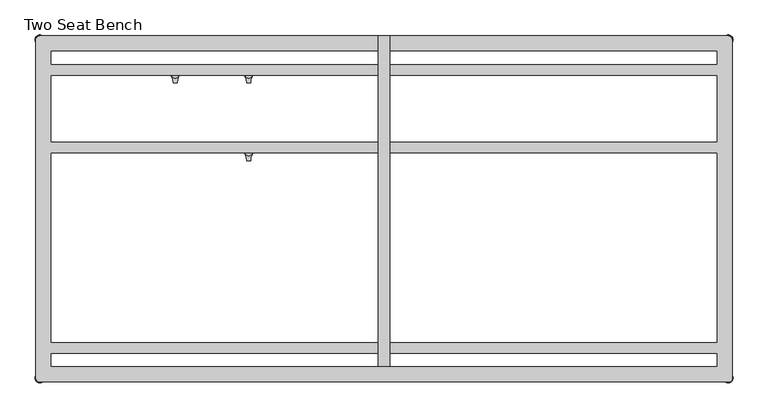
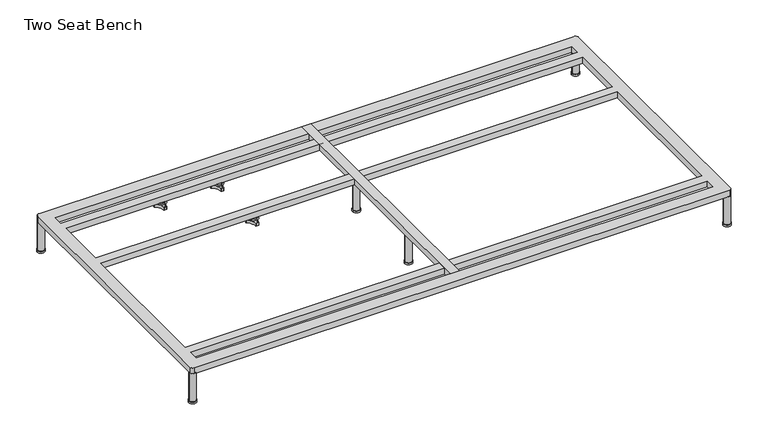
"""IFC4 building model written with IfcOpenShell, lengths in millimetres: furniture geometry, Two Seat Bench."""

from ifc_helpers import new_model, si_unit, point, frame, frame_2d, origin, origin_with_axes, place, context, project, spatial, polyline, circle_curve, trimmed, segment, composite_curve, outline, extrude, source, transform, mapped, element, save
from ifc_brep_helpers import plane_surface, cylinder_surface, revolved_surface, advanced_brep


def two_seat_bench_9e624aa6(model_context):
    return source(origin(), model_context, "Body", "SolidModel", [
        advanced_brep(
        [(-519.7611937, -130.2721038, 98.611642), (-523.9837819, -137.585841, 98.611642), (-523.585833, -138.7518724, 98.611642), (-507.7665623, -166.1516574, 98.611642), (-506.9557288, -167.0792988, 98.611642), (-498.5105502, -167.0792988, 98.611642), (-497.706022, -165.9895174, 98.611642), (-481.6037689, -138.4877144, 98.611642), (-481.4824919, -137.5858427, 98.611642), (-485.7050818, -130.2721023, 98.611642), (-486.9138653, -130.0337175, 98.611642), (-518.5524137, -130.0337175, 98.611642), (-493.360263, -145.1926245, 98.611642), (-512.2652749, -145.1926245, 98.611642), (-519.7611937, -130.2721038, 88.6531552), (-518.5524137, -130.0337175, 88.6531552), (-486.9138653, -130.0337175, 88.6531552), (-485.7050818, -130.2721023, 88.6531552), (-481.4824919, -137.5858427, 88.6531552), (-481.6037689, -138.4877144, 88.6531552), (-497.706022, -165.9895174, 88.6531552), (-498.5105502, -167.0792988, 88.6531552), (-506.9557288, -167.0792988, 88.6531552), (-507.7665623, -166.1516574, 88.6531552), (-523.585833, -138.7518724, 88.6531552), (-523.9837819, -137.585841, 88.6531552), (-512.2652749, -145.1926245, 103.6569541), (-493.360263, -145.1926245, 103.6569541)],
        [
            (0, 1, circle_curve(frame((-501.5017056, -145.690049, 98.611642), z_axis=(0.0, 0.0, 1.0), x_axis=(1.0, 0.0, 0.0)), 23.8981576)),
            (1, 2, circle_curve(frame((-523.0562233, -137.920202, 98.611642), z_axis=(0.0, 0.0, 1.0), x_axis=(1.0, 0.0, 0.0)), 0.9859828)),
            (2, 3, circle_curve(frame((-541.981203, -167.6389644, 98.611642), z_axis=(0.0, 0.0, -1.0), x_axis=(1.0, 0.0, 0.0)), 34.246952)),
            (3, 4, circle_curve(frame((-506.7815189, -166.1088376, 98.611642), z_axis=(0.0, 0.0, 1.0), x_axis=(1.0, 0.0, 0.0)), 0.9859736)),
            (4, 5, circle_curve(frame((-502.7331395, -143.5567534, 98.611642), z_axis=(0.0, 0.0, 1.0), x_axis=(1.0, 0.0, 0.0)), 23.8985439)),
            (5, 6, circle_curve(frame((-498.6847621, -166.1088262, 98.611642), z_axis=(0.0, 0.0, 1.0), x_axis=(1.0, 0.0, 0.0)), 0.9859852)),
            (6, 7, circle_curve(frame((-463.4843483, -167.5614211, 98.611642), z_axis=(0.0, 0.0, -1.0), x_axis=(1.0, 0.0, 0.0)), 34.2577557)),
            (7, 8, circle_curve(frame((-482.4100533, -137.9202011, 98.611642), z_axis=(0.0, 0.0, 1.0), x_axis=(1.0, 0.0, 0.0)), 0.9859847)),
            (8, 9, circle_curve(frame((-503.9641822, -145.6898258, 98.611642), z_axis=(0.0, 0.0, 1.0), x_axis=(1.0, 0.0, 0.0)), 23.8977184)),
            (9, 10, circle_curve(frame((-486.4584281, -130.9082171, 98.611642), z_axis=(0.0, 0.0, 1.0), x_axis=(1.0, 0.0, 0.0)), 0.9859881)),
            (10, 11, circle_curve(frame((-502.7331395, -99.6586209, 98.611642), z_axis=(0.0, 0.0, -1.0), x_axis=(1.0, 0.0, 0.0)), 34.2475683)),
            (11, 0, circle_curve(frame((-519.0078488, -130.9082131, 98.611642), z_axis=(0.0, 0.0, 1.0), x_axis=(1.0, 0.0, 0.0)), 0.9859835)),
            (12, 13, circle_curve(frame((-502.8127689, -145.1926245, 98.611642), z_axis=(0.0, 0.0, -1.0), x_axis=(1.0, 0.0, 0.0)), 9.452506)),
            (13, 12, circle_curve(frame((-502.8127689, -145.1926245, 98.611642), z_axis=(0.0, 0.0, -1.0), x_axis=(1.0, 0.0, 0.0)), 9.452506)),
            (14, 15, circle_curve(frame((-519.0078488, -130.9082131, 88.6531552), z_axis=(0.0, 0.0, -1.0), x_axis=(1.0, 0.0, 0.0)), 0.9859835)),
            (15, 16, circle_curve(frame((-502.7331395, -99.6586209, 88.6531552), z_axis=(0.0, 0.0, 1.0), x_axis=(1.0, 0.0, 0.0)), 34.2475683)),
            (16, 17, circle_curve(frame((-486.4584281, -130.9082171, 88.6531552), z_axis=(0.0, 0.0, -1.0), x_axis=(1.0, 0.0, 0.0)), 0.9859881)),
            (17, 18, circle_curve(frame((-503.9641822, -145.6898258, 88.6531552), z_axis=(0.0, 0.0, -1.0), x_axis=(1.0, 0.0, 0.0)), 23.8977184)),
            (18, 19, circle_curve(frame((-482.4100533, -137.9202011, 88.6531552), z_axis=(0.0, 0.0, -1.0), x_axis=(1.0, 0.0, 0.0)), 0.9859847)),
            (19, 20, circle_curve(frame((-463.4843483, -167.5614211, 88.6531552), z_axis=(0.0, 0.0, 1.0), x_axis=(1.0, 0.0, 0.0)), 34.2577557)),
            (20, 21, circle_curve(frame((-498.6847621, -166.1088262, 88.6531552), z_axis=(0.0, 0.0, -1.0), x_axis=(1.0, 0.0, 0.0)), 0.9859852)),
            (21, 22, circle_curve(frame((-502.7331395, -143.5567534, 88.6531552), z_axis=(0.0, 0.0, -1.0), x_axis=(1.0, 0.0, 0.0)), 23.8985439)),
            (22, 23, circle_curve(frame((-506.7815189, -166.1088376, 88.6531552), z_axis=(0.0, 0.0, -1.0), x_axis=(1.0, 0.0, 0.0)), 0.9859736)),
            (23, 24, circle_curve(frame((-541.981203, -167.6389644, 88.6531552), z_axis=(0.0, 0.0, 1.0), x_axis=(1.0, 0.0, 0.0)), 34.246952)),
            (24, 25, circle_curve(frame((-523.0562233, -137.920202, 88.6531552), z_axis=(0.0, 0.0, -1.0), x_axis=(1.0, 0.0, 0.0)), 0.9859828)),
            (25, 14, circle_curve(frame((-501.5017056, -145.690049, 88.6531552), z_axis=(0.0, 0.0, -1.0), x_axis=(1.0, 0.0, 0.0)), 23.8981576)),
            (26, 27, circle_curve(frame((-502.8127689, -145.1926245, 103.6569541), z_axis=(0.0, 0.0, 1.0), x_axis=(1.0, 0.0, 0.0)), 9.452506)),
            (27, 26, circle_curve(frame((-502.8127689, -145.1926245, 103.6569541), z_axis=(0.0, 0.0, 1.0), x_axis=(1.0, 0.0, 0.0)), 9.452506)),
            (0, 14),
            (25, 1),
            (24, 2),
            (23, 3),
            (22, 4),
            (21, 5),
            (20, 6),
            (19, 7),
            (18, 8),
            (17, 9),
            (16, 10),
            (15, 11),
            (26, 13),
            (12, 27),
        ],
        [
            plane_surface(frame((-477.603548, -145.690049, 98.611642), z_axis=(0.0, 0.0, 1.0), x_axis=(0.0, 1.0, 0.0))),
            plane_surface(frame((-477.603548, -145.690049, 88.6531552), z_axis=(0.0, 0.0, -1.0), x_axis=(0.0, -1.0, 0.0))),
            plane_surface(frame((-493.360263, -145.1926245, 103.6569541), z_axis=(0.0, 0.0, 1.0), x_axis=(0.0, 1.0, 0.0))),
            cylinder_surface(frame((-501.5017056, -145.690049, 88.6531552), z_axis=(0.0, 0.0, 1.0), x_axis=(1.0, 0.0, 0.0)), 23.8981576),
            cylinder_surface(frame((-523.0562233, -137.920202, 88.6531552), z_axis=(0.0, 0.0, 1.0), x_axis=(1.0, 0.0, 0.0)), 0.9859828),
            revolved_surface(polyline([(-507.73425100000003, -167.6389644, 88.6531552), (-507.73425100000003, -167.6389644, 98.611642)]), (-541.981203, -167.6389644, 88.6531552), (0.0, 0.0, -1.0)),
            cylinder_surface(frame((-506.7815189, -166.1088376, 88.6531552), z_axis=(0.0, 0.0, 1.0), x_axis=(1.0, 0.0, 0.0)), 0.9859736),
            cylinder_surface(frame((-502.7331395, -143.5567534, 88.6531552), z_axis=(0.0, 0.0, 1.0), x_axis=(1.0, 0.0, 0.0)), 23.8985439),
            cylinder_surface(frame((-498.6847621, -166.1088262, 88.6531552), z_axis=(0.0, 0.0, 1.0), x_axis=(1.0, 0.0, 0.0)), 0.9859852),
            revolved_surface(polyline([(-429.2265926, -167.5614211, 88.6531552), (-429.2265926, -167.5614211, 98.611642)]), (-463.4843483, -167.5614211, 88.6531552), (0.0, 0.0, -1.0)),
            cylinder_surface(frame((-482.4100533, -137.9202011, 88.6531552), z_axis=(0.0, 0.0, 1.0), x_axis=(1.0, 0.0, 0.0)), 0.9859847),
            cylinder_surface(frame((-503.9641822, -145.6898258, 88.6531552), z_axis=(0.0, 0.0, 1.0), x_axis=(1.0, 0.0, 0.0)), 23.8977184),
            cylinder_surface(frame((-486.4584281, -130.9082171, 88.6531552), z_axis=(0.0, 0.0, 1.0), x_axis=(1.0, 0.0, 0.0)), 0.9859881),
            revolved_surface(polyline([(-468.4855712, -99.6586209, 88.6531552), (-468.4855712, -99.6586209, 98.611642)]), (-502.7331395, -99.6586209, 88.6531552), (0.0, 0.0, -1.0)),
            cylinder_surface(frame((-519.0078488, -130.9082131, 88.6531552), z_axis=(0.0, 0.0, 1.0), x_axis=(1.0, 0.0, 0.0)), 0.9859835),
            cylinder_surface(frame((-502.8127689, -145.1926245, 98.611642), z_axis=(0.0, 0.0, 1.0), x_axis=(1.0, 0.0, 0.0)), 9.452506),
        ],
        [
            (0, [[1, 2, 3, 4, 5, 6, 7, 8, 9, 10, 11, 12], [13, 14]]),
            (1, [[15, 16, 17, 18, 19, 20, 21, 22, 23, 24, 25, 26]]),
            (2, [[27, 28]]),
            (3, [[-1, 29, -26, 30]]),
            (4, [[-2, -30, -25, 31]]),
            (5, [[-3, -31, -24, 32]]),
            (6, [[-4, -32, -23, 33]]),
            (7, [[-5, -33, -22, 34]]),
            (8, [[-6, -34, -21, 35]]),
            (9, [[-7, -35, -20, 36]]),
            (10, [[-8, -36, -19, 37]]),
            (11, [[-9, -37, -18, 38]]),
            (12, [[-10, -38, -17, 39]]),
            (13, [[-11, -39, -16, 40]]),
            (14, [[-12, -40, -15, -29]]),
            (15, [[-27, 41, -13, 42]]),
            (15, [[-28, -42, -14, -41]]),
        ],
    ),
        advanced_brep(
        [(-519.7611937, 69.7278978, 98.611642), (-523.9837819, 62.4141605, 98.611642), (-523.585833, 61.2481292, 98.611642), (-507.7665623, 33.8483441, 98.611642), (-506.9557288, 32.9207027, 98.611642), (-498.5105502, 32.9207027, 98.611642), (-497.706022, 34.0104841, 98.611642), (-481.6037689, 61.5122871, 98.611642), (-481.4824919, 62.4141588, 98.611642), (-485.7050818, 69.7278992, 98.611642), (-486.9138653, 69.966284, 98.611642), (-518.5524137, 69.966284, 98.611642), (-493.360263, 54.807377, 98.611642), (-512.2652749, 54.807377, 98.611642), (-519.7611937, 69.7278978, 88.6531552), (-518.5524137, 69.966284, 88.6531552), (-486.9138653, 69.966284, 88.6531552), (-485.7050818, 69.7278992, 88.6531552), (-481.4824919, 62.4141588, 88.6531552), (-481.6037689, 61.5122871, 88.6531552), (-497.706022, 34.0104841, 88.6531552), (-498.5105502, 32.9207027, 88.6531552), (-506.9557288, 32.9207027, 88.6531552), (-507.7665623, 33.8483441, 88.6531552), (-523.585833, 61.2481292, 88.6531552), (-523.9837819, 62.4141605, 88.6531552), (-512.2652749, 54.807377, 103.6569541), (-493.360263, 54.807377, 103.6569541)],
        [
            (0, 1, circle_curve(frame((-501.5017056, 54.3099526, 98.611642), z_axis=(0.0, 0.0, 1.0), x_axis=(1.0, 0.0, 0.0)), 23.8981576)),
            (1, 2, circle_curve(frame((-523.0562233, 62.0797996, 98.611642), z_axis=(0.0, 0.0, 1.0), x_axis=(1.0, 0.0, 0.0)), 0.9859828)),
            (2, 3, circle_curve(frame((-541.981203, 32.3610372, 98.611642), z_axis=(0.0, 0.0, -1.0), x_axis=(1.0, 0.0, 0.0)), 34.246952)),
            (3, 4, circle_curve(frame((-506.7815189, 33.8911639, 98.611642), z_axis=(0.0, 0.0, 1.0), x_axis=(1.0, 0.0, 0.0)), 0.9859736)),
            (4, 5, circle_curve(frame((-502.7331395, 56.4432481, 98.611642), z_axis=(0.0, 0.0, 1.0), x_axis=(1.0, 0.0, 0.0)), 23.8985439)),
            (5, 6, circle_curve(frame((-498.6847621, 33.8911753, 98.611642), z_axis=(0.0, 0.0, 1.0), x_axis=(1.0, 0.0, 0.0)), 0.9859852)),
            (6, 7, circle_curve(frame((-463.4843483, 32.4385804, 98.611642), z_axis=(0.0, 0.0, -1.0), x_axis=(1.0, 0.0, 0.0)), 34.2577557)),
            (7, 8, circle_curve(frame((-482.4100533, 62.0798004, 98.611642), z_axis=(0.0, 0.0, 1.0), x_axis=(1.0, 0.0, 0.0)), 0.9859847)),
            (8, 9, circle_curve(frame((-503.9641822, 54.3101757, 98.611642), z_axis=(0.0, 0.0, 1.0), x_axis=(1.0, 0.0, 0.0)), 23.8977184)),
            (9, 10, circle_curve(frame((-486.4584281, 69.0917844, 98.611642), z_axis=(0.0, 0.0, 1.0), x_axis=(1.0, 0.0, 0.0)), 0.9859881)),
            (10, 11, circle_curve(frame((-502.7331395, 100.3413806, 98.611642), z_axis=(0.0, 0.0, -1.0), x_axis=(1.0, 0.0, 0.0)), 34.2475683)),
            (11, 0, circle_curve(frame((-519.0078488, 69.0917885, 98.611642), z_axis=(0.0, 0.0, 1.0), x_axis=(1.0, 0.0, 0.0)), 0.9859835)),
            (12, 13, circle_curve(frame((-502.8127689, 54.807377, 98.611642), z_axis=(0.0, 0.0, -1.0), x_axis=(1.0, 0.0, 0.0)), 9.452506)),
            (13, 12, circle_curve(frame((-502.8127689, 54.807377, 98.611642), z_axis=(0.0, 0.0, -1.0), x_axis=(1.0, 0.0, 0.0)), 9.452506)),
            (14, 15, circle_curve(frame((-519.0078488, 69.0917885, 88.6531552), z_axis=(0.0, 0.0, -1.0), x_axis=(1.0, 0.0, 0.0)), 0.9859835)),
            (15, 16, circle_curve(frame((-502.7331395, 100.3413806, 88.6531552), z_axis=(0.0, 0.0, 1.0), x_axis=(1.0, 0.0, 0.0)), 34.2475683)),
            (16, 17, circle_curve(frame((-486.4584281, 69.0917844, 88.6531552), z_axis=(0.0, 0.0, -1.0), x_axis=(1.0, 0.0, 0.0)), 0.9859881)),
            (17, 18, circle_curve(frame((-503.9641822, 54.3101757, 88.6531552), z_axis=(0.0, 0.0, -1.0), x_axis=(1.0, 0.0, 0.0)), 23.8977184)),
            (18, 19, circle_curve(frame((-482.4100533, 62.0798004, 88.6531552), z_axis=(0.0, 0.0, -1.0), x_axis=(1.0, 0.0, 0.0)), 0.9859847)),
            (19, 20, circle_curve(frame((-463.4843483, 32.4385804, 88.6531552), z_axis=(0.0, 0.0, 1.0), x_axis=(1.0, 0.0, 0.0)), 34.2577557)),
            (20, 21, circle_curve(frame((-498.6847621, 33.8911753, 88.6531552), z_axis=(0.0, 0.0, -1.0), x_axis=(1.0, 0.0, 0.0)), 0.9859852)),
            (21, 22, circle_curve(frame((-502.7331395, 56.4432481, 88.6531552), z_axis=(0.0, 0.0, -1.0), x_axis=(1.0, 0.0, 0.0)), 23.8985439)),
            (22, 23, circle_curve(frame((-506.7815189, 33.8911639, 88.6531552), z_axis=(0.0, 0.0, -1.0), x_axis=(1.0, 0.0, 0.0)), 0.9859736)),
            (23, 24, circle_curve(frame((-541.981203, 32.3610372, 88.6531552), z_axis=(0.0, 0.0, 1.0), x_axis=(1.0, 0.0, 0.0)), 34.246952)),
            (24, 25, circle_curve(frame((-523.0562233, 62.0797996, 88.6531552), z_axis=(0.0, 0.0, -1.0), x_axis=(1.0, 0.0, 0.0)), 0.9859828)),
            (25, 14, circle_curve(frame((-501.5017056, 54.3099526, 88.6531552), z_axis=(0.0, 0.0, -1.0), x_axis=(1.0, 0.0, 0.0)), 23.8981576)),
            (26, 27, circle_curve(frame((-502.8127689, 54.807377, 103.6569541), z_axis=(0.0, 0.0, 1.0), x_axis=(1.0, 0.0, 0.0)), 9.452506)),
            (27, 26, circle_curve(frame((-502.8127689, 54.807377, 103.6569541), z_axis=(0.0, 0.0, 1.0), x_axis=(1.0, 0.0, 0.0)), 9.452506)),
            (0, 14),
            (25, 1),
            (24, 2),
            (23, 3),
            (22, 4),
            (21, 5),
            (20, 6),
            (19, 7),
            (18, 8),
            (17, 9),
            (16, 10),
            (15, 11),
            (26, 13),
            (12, 27),
        ],
        [
            plane_surface(frame((-477.603548, 54.3099526, 98.611642), z_axis=(0.0, 0.0, 1.0), x_axis=(0.0, 1.0, 0.0))),
            plane_surface(frame((-477.603548, 54.3099526, 88.6531552), z_axis=(0.0, 0.0, -1.0), x_axis=(0.0, -1.0, 0.0))),
            plane_surface(frame((-493.360263, 54.807377, 103.6569541), z_axis=(0.0, 0.0, 1.0), x_axis=(0.0, 1.0, 0.0))),
            cylinder_surface(frame((-501.5017056, 54.3099526, 88.6531552), z_axis=(0.0, 0.0, 1.0), x_axis=(1.0, 0.0, 0.0)), 23.8981576),
            cylinder_surface(frame((-523.0562233, 62.0797996, 88.6531552), z_axis=(0.0, 0.0, 1.0), x_axis=(1.0, 0.0, 0.0)), 0.9859828),
            revolved_surface(polyline([(-507.73425100000003, 32.3610372, 88.6531552), (-507.73425100000003, 32.3610372, 98.611642)]), (-541.981203, 32.3610372, 88.6531552), (0.0, 0.0, -1.0)),
            cylinder_surface(frame((-506.7815189, 33.8911639, 88.6531552), z_axis=(0.0, 0.0, 1.0), x_axis=(1.0, 0.0, 0.0)), 0.9859736),
            cylinder_surface(frame((-502.7331395, 56.4432481, 88.6531552), z_axis=(0.0, 0.0, 1.0), x_axis=(1.0, 0.0, 0.0)), 23.8985439),
            cylinder_surface(frame((-498.6847621, 33.8911753, 88.6531552), z_axis=(0.0, 0.0, 1.0), x_axis=(1.0, 0.0, 0.0)), 0.9859852),
            revolved_surface(polyline([(-429.2265926, 32.4385804, 88.6531552), (-429.2265926, 32.4385804, 98.611642)]), (-463.4843483, 32.4385804, 88.6531552), (0.0, 0.0, -1.0)),
            cylinder_surface(frame((-482.4100533, 62.0798004, 88.6531552), z_axis=(0.0, 0.0, 1.0), x_axis=(1.0, 0.0, 0.0)), 0.9859847),
            cylinder_surface(frame((-503.9641822, 54.3101757, 88.6531552), z_axis=(0.0, 0.0, 1.0), x_axis=(1.0, 0.0, 0.0)), 23.8977184),
            cylinder_surface(frame((-486.4584281, 69.0917844, 88.6531552), z_axis=(0.0, 0.0, 1.0), x_axis=(1.0, 0.0, 0.0)), 0.9859881),
            revolved_surface(polyline([(-468.4855712, 100.3413806, 88.6531552), (-468.4855712, 100.3413806, 98.611642)]), (-502.7331395, 100.3413806, 88.6531552), (0.0, 0.0, -1.0)),
            cylinder_surface(frame((-519.0078488, 69.0917885, 88.6531552), z_axis=(0.0, 0.0, 1.0), x_axis=(1.0, 0.0, 0.0)), 0.9859835),
            cylinder_surface(frame((-502.8127689, 54.807377, 98.611642), z_axis=(0.0, 0.0, 1.0), x_axis=(1.0, 0.0, 0.0)), 9.452506),
        ],
        [
            (0, [[1, 2, 3, 4, 5, 6, 7, 8, 9, 10, 11, 12], [13, 14]]),
            (1, [[15, 16, 17, 18, 19, 20, 21, 22, 23, 24, 25, 26]]),
            (2, [[27, 28]]),
            (3, [[-1, 29, -26, 30]]),
            (4, [[-2, -30, -25, 31]]),
            (5, [[-3, -31, -24, 32]]),
            (6, [[-4, -32, -23, 33]]),
            (7, [[-5, -33, -22, 34]]),
            (8, [[-6, -34, -21, 35]]),
            (9, [[-7, -35, -20, 36]]),
            (10, [[-8, -36, -19, 37]]),
            (11, [[-9, -37, -18, 38]]),
            (12, [[-10, -38, -17, 39]]),
            (13, [[-11, -39, -16, 40]]),
            (14, [[-12, -40, -15, -29]]),
            (15, [[-27, 41, -13, 42]]),
            (15, [[-28, -42, -14, -41]]),
        ],
    ),
        advanced_brep(
        [(-708.6567178, 69.7278978, 98.611642), (-712.879306, 62.4141605, 98.611642), (-712.4813572, 61.2481292, 98.611642), (-696.6620864, 33.8483441, 98.611642), (-695.8512529, 32.9207027, 98.611642), (-687.4060744, 32.9207027, 98.611642), (-686.6015461, 34.0104841, 98.611642), (-670.4992931, 61.5122871, 98.611642), (-670.378016, 62.4141588, 98.611642), (-674.600606, 69.7278992, 98.611642), (-675.8093894, 69.966284, 98.611642), (-707.4479379, 69.966284, 98.611642), (-682.2557871, 54.807377, 98.611642), (-701.160799, 54.807377, 98.611642), (-708.6567178, 69.7278978, 88.6531552), (-707.4479379, 69.966284, 88.6531552), (-675.8093894, 69.966284, 88.6531552), (-674.600606, 69.7278992, 88.6531552), (-670.378016, 62.4141588, 88.6531552), (-670.4992931, 61.5122871, 88.6531552), (-686.6015461, 34.0104841, 88.6531552), (-687.4060744, 32.9207027, 88.6531552), (-695.8512529, 32.9207027, 88.6531552), (-696.6620864, 33.8483441, 88.6531552), (-712.4813572, 61.2481292, 88.6531552), (-712.879306, 62.4141605, 88.6531552), (-701.160799, 54.807377, 103.6569541), (-682.2557871, 54.807377, 103.6569541)],
        [
            (0, 1, circle_curve(frame((-690.3972298, 54.3099526, 98.611642), z_axis=(0.0, 0.0, 1.0), x_axis=(1.0, 0.0, 0.0)), 23.8981576)),
            (1, 2, circle_curve(frame((-711.9517474, 62.0797996, 98.611642), z_axis=(0.0, 0.0, 1.0), x_axis=(1.0, 0.0, 0.0)), 0.9859828)),
            (2, 3, circle_curve(frame((-730.8767271, 32.3610372, 98.611642), z_axis=(0.0, 0.0, -1.0), x_axis=(1.0, 0.0, 0.0)), 34.246952)),
            (3, 4, circle_curve(frame((-695.6770431, 33.8911639, 98.611642), z_axis=(0.0, 0.0, 1.0), x_axis=(1.0, 0.0, 0.0)), 0.9859736)),
            (4, 5, circle_curve(frame((-691.6286636, 56.4432481, 98.611642), z_axis=(0.0, 0.0, 1.0), x_axis=(1.0, 0.0, 0.0)), 23.8985439)),
            (5, 6, circle_curve(frame((-687.5802862, 33.8911753, 98.611642), z_axis=(0.0, 0.0, 1.0), x_axis=(1.0, 0.0, 0.0)), 0.9859852)),
            (6, 7, circle_curve(frame((-652.3798725, 32.4385804, 98.611642), z_axis=(0.0, 0.0, -1.0), x_axis=(1.0, 0.0, 0.0)), 34.2577557)),
            (7, 8, circle_curve(frame((-671.3055775, 62.0798004, 98.611642), z_axis=(0.0, 0.0, 1.0), x_axis=(1.0, 0.0, 0.0)), 0.9859847)),
            (8, 9, circle_curve(frame((-692.8597064, 54.3101757, 98.611642), z_axis=(0.0, 0.0, 1.0), x_axis=(1.0, 0.0, 0.0)), 23.8977184)),
            (9, 10, circle_curve(frame((-675.3539522, 69.0917844, 98.611642), z_axis=(0.0, 0.0, 1.0), x_axis=(1.0, 0.0, 0.0)), 0.9859881)),
            (10, 11, circle_curve(frame((-691.6286636, 100.3413806, 98.611642), z_axis=(0.0, 0.0, -1.0), x_axis=(1.0, 0.0, 0.0)), 34.2475683)),
            (11, 0, circle_curve(frame((-707.9033729, 69.0917885, 98.611642), z_axis=(0.0, 0.0, 1.0), x_axis=(1.0, 0.0, 0.0)), 0.9859835)),
            (12, 13, circle_curve(frame((-691.7082931, 54.807377, 98.611642), z_axis=(0.0, 0.0, -1.0), x_axis=(1.0, 0.0, 0.0)), 9.452506)),
            (13, 12, circle_curve(frame((-691.7082931, 54.807377, 98.611642), z_axis=(0.0, 0.0, -1.0), x_axis=(1.0, 0.0, 0.0)), 9.452506)),
            (14, 15, circle_curve(frame((-707.9033729, 69.0917885, 88.6531552), z_axis=(0.0, 0.0, -1.0), x_axis=(1.0, 0.0, 0.0)), 0.9859835)),
            (15, 16, circle_curve(frame((-691.6286636, 100.3413806, 88.6531552), z_axis=(0.0, 0.0, 1.0), x_axis=(1.0, 0.0, 0.0)), 34.2475683)),
            (16, 17, circle_curve(frame((-675.3539522, 69.0917844, 88.6531552), z_axis=(0.0, 0.0, -1.0), x_axis=(1.0, 0.0, 0.0)), 0.9859881)),
            (17, 18, circle_curve(frame((-692.8597064, 54.3101757, 88.6531552), z_axis=(0.0, 0.0, -1.0), x_axis=(1.0, 0.0, 0.0)), 23.8977184)),
            (18, 19, circle_curve(frame((-671.3055775, 62.0798004, 88.6531552), z_axis=(0.0, 0.0, -1.0), x_axis=(1.0, 0.0, 0.0)), 0.9859847)),
            (19, 20, circle_curve(frame((-652.3798725, 32.4385804, 88.6531552), z_axis=(0.0, 0.0, 1.0), x_axis=(1.0, 0.0, 0.0)), 34.2577557)),
            (20, 21, circle_curve(frame((-687.5802862, 33.8911753, 88.6531552), z_axis=(0.0, 0.0, -1.0), x_axis=(1.0, 0.0, 0.0)), 0.9859852)),
            (21, 22, circle_curve(frame((-691.6286636, 56.4432481, 88.6531552), z_axis=(0.0, 0.0, -1.0), x_axis=(1.0, 0.0, 0.0)), 23.8985439)),
            (22, 23, circle_curve(frame((-695.6770431, 33.8911639, 88.6531552), z_axis=(0.0, 0.0, -1.0), x_axis=(1.0, 0.0, 0.0)), 0.9859736)),
            (23, 24, circle_curve(frame((-730.8767271, 32.3610372, 88.6531552), z_axis=(0.0, 0.0, 1.0), x_axis=(1.0, 0.0, 0.0)), 34.246952)),
            (24, 25, circle_curve(frame((-711.9517474, 62.0797996, 88.6531552), z_axis=(0.0, 0.0, -1.0), x_axis=(1.0, 0.0, 0.0)), 0.9859828)),
            (25, 14, circle_curve(frame((-690.3972298, 54.3099526, 88.6531552), z_axis=(0.0, 0.0, -1.0), x_axis=(1.0, 0.0, 0.0)), 23.8981576)),
            (26, 27, circle_curve(frame((-691.7082931, 54.807377, 103.6569541), z_axis=(0.0, 0.0, 1.0), x_axis=(1.0, 0.0, 0.0)), 9.452506)),
            (27, 26, circle_curve(frame((-691.7082931, 54.807377, 103.6569541), z_axis=(0.0, 0.0, 1.0), x_axis=(1.0, 0.0, 0.0)), 9.452506)),
            (0, 14),
            (25, 1),
            (24, 2),
            (23, 3),
            (22, 4),
            (21, 5),
            (20, 6),
            (19, 7),
            (18, 8),
            (17, 9),
            (16, 10),
            (15, 11),
            (26, 13),
            (12, 27),
        ],
        [
            plane_surface(frame((-666.4990722, 54.3099526, 98.611642), z_axis=(0.0, 0.0, 1.0), x_axis=(0.0, 1.0, 0.0))),
            plane_surface(frame((-666.4990722, 54.3099526, 88.6531552), z_axis=(0.0, 0.0, -1.0), x_axis=(0.0, -1.0, 0.0))),
            plane_surface(frame((-682.2557871, 54.807377, 103.6569541), z_axis=(0.0, 0.0, 1.0), x_axis=(0.0, 1.0, 0.0))),
            cylinder_surface(frame((-690.3972298, 54.3099526, 88.6531552), z_axis=(0.0, 0.0, 1.0), x_axis=(1.0, 0.0, 0.0)), 23.8981576),
            cylinder_surface(frame((-711.9517474, 62.0797996, 88.6531552), z_axis=(0.0, 0.0, 1.0), x_axis=(1.0, 0.0, 0.0)), 0.9859828),
            revolved_surface(polyline([(-696.6297751000001, 32.3610372, 88.6531552), (-696.6297751000001, 32.3610372, 98.611642)]), (-730.8767271, 32.3610372, 88.6531552), (0.0, 0.0, -1.0)),
            cylinder_surface(frame((-695.6770431, 33.8911639, 88.6531552), z_axis=(0.0, 0.0, 1.0), x_axis=(1.0, 0.0, 0.0)), 0.9859736),
            cylinder_surface(frame((-691.6286636, 56.4432481, 88.6531552), z_axis=(0.0, 0.0, 1.0), x_axis=(1.0, 0.0, 0.0)), 23.8985439),
            cylinder_surface(frame((-687.5802862, 33.8911753, 88.6531552), z_axis=(0.0, 0.0, 1.0), x_axis=(1.0, 0.0, 0.0)), 0.9859852),
            revolved_surface(polyline([(-618.1221168000001, 32.4385804, 88.6531552), (-618.1221168000001, 32.4385804, 98.611642)]), (-652.3798725, 32.4385804, 88.6531552), (0.0, 0.0, -1.0)),
            cylinder_surface(frame((-671.3055775, 62.0798004, 88.6531552), z_axis=(0.0, 0.0, 1.0), x_axis=(1.0, 0.0, 0.0)), 0.9859847),
            cylinder_surface(frame((-692.8597064, 54.3101757, 88.6531552), z_axis=(0.0, 0.0, 1.0), x_axis=(1.0, 0.0, 0.0)), 23.8977184),
            cylinder_surface(frame((-675.3539522, 69.0917844, 88.6531552), z_axis=(0.0, 0.0, 1.0), x_axis=(1.0, 0.0, 0.0)), 0.9859881),
            revolved_surface(polyline([(-657.3810953, 100.3413806, 88.6531552), (-657.3810953, 100.3413806, 98.611642)]), (-691.6286636, 100.3413806, 88.6531552), (0.0, 0.0, -1.0)),
            cylinder_surface(frame((-707.9033729, 69.0917885, 88.6531552), z_axis=(0.0, 0.0, 1.0), x_axis=(1.0, 0.0, 0.0)), 0.9859835),
            cylinder_surface(frame((-691.7082931, 54.807377, 98.611642), z_axis=(0.0, 0.0, 1.0), x_axis=(1.0, 0.0, 0.0)), 9.452506),
        ],
        [
            (0, [[1, 2, 3, 4, 5, 6, 7, 8, 9, 10, 11, 12], [13, 14]]),
            (1, [[15, 16, 17, 18, 19, 20, 21, 22, 23, 24, 25, 26]]),
            (2, [[27, 28]]),
            (3, [[-1, 29, -26, 30]]),
            (4, [[-2, -30, -25, 31]]),
            (5, [[-3, -31, -24, 32]]),
            (6, [[-4, -32, -23, 33]]),
            (7, [[-5, -33, -22, 34]]),
            (8, [[-6, -34, -21, 35]]),
            (9, [[-7, -35, -20, 36]]),
            (10, [[-8, -36, -19, 37]]),
            (11, [[-9, -37, -18, 38]]),
            (12, [[-10, -38, -17, 39]]),
            (13, [[-11, -39, -16, 40]]),
            (14, [[-12, -40, -15, -29]]),
            (15, [[-27, 41, -13, 42]]),
            (15, [[-28, -42, -14, -41]]),
        ],
    ),
        extrude(outline(composite_curve([segment(trimmed(circle_curve(frame_2d((-155.4452882, -433.7002937)), 10.4664203), [point((-165.9117085, -433.7002937))], [point((-144.9788678, -433.7002937))], False, "CARTESIAN"), True, "CONTINUOUS"), segment(trimmed(circle_curve(frame_2d((-155.4452882, -433.7002937)), 10.4664203), [point((-144.9788678, -433.7002937))], [point((-165.9117085, -433.7002937))], False, "CARTESIAN"), True, "CONTINUOUS")], self_intersect=False)), origin_with_axes(), (0.0, 0.0, 1.0), 103.6569541),
        extrude(outline(composite_curve([segment(trimmed(circle_curve(frame_2d((-155.4452882, -133.6667163)), 10.4664203), [point((-165.9117085, -133.6667163))], [point((-144.9788678, -133.6667163))], False, "CARTESIAN"), True, "CONTINUOUS"), segment(trimmed(circle_curve(frame_2d((-155.4452882, -133.6667163)), 10.4664203), [point((-144.9788678, -133.6667163))], [point((-165.9117085, -133.6667163))], False, "CARTESIAN"), True, "CONTINUOUS")], self_intersect=False)), origin_with_axes(), (0.0, 0.0, 1.0), 103.6569541),
        extrude(outline(composite_curve([segment(trimmed(circle_curve(frame_2d((-155.4452882, -433.7002937)), 12.5000005), [point((-167.9452886, -433.7002937))], [point((-142.9452877, -433.7002937))], False, "CARTESIAN"), True, "CONTINUOUS"), segment(trimmed(circle_curve(frame_2d((-155.4452882, -433.7002937)), 12.5000005), [point((-142.9452877, -433.7002937))], [point((-167.9452886, -433.7002937))], False, "CARTESIAN"), True, "CONTINUOUS")], self_intersect=False)), origin_with_axes(), (0.0, 0.0, 1.0), 6.0),
        extrude(outline(composite_curve([segment(trimmed(circle_curve(frame_2d((-155.4452882, -133.6667163)), 12.5000005), [point((-167.9452886, -133.6667163))], [point((-142.9452877, -133.6667163))], False, "CARTESIAN"), True, "CONTINUOUS"), segment(trimmed(circle_curve(frame_2d((-155.4452882, -133.6667163)), 12.5000005), [point((-142.9452877, -133.6667163))], [point((-167.9452886, -133.6667163))], False, "CARTESIAN"), True, "CONTINUOUS")], self_intersect=False)), origin_with_axes(), (0.0, 0.0, 1.0), 6.0),
        extrude(outline(polyline([(-169.7406049, -696.2002953), (-169.7406049, 153.6358637), (-139.7406192, 153.6358637), (-139.7406192, -696.2002953), (-169.7406049, -696.2002953)])), frame((0.0, 0.0, 103.6569541), z_axis=(0.0, 0.0, 1.0), x_axis=(1.0, 0.0, 0.0)), (0.0, 0.0, 1.0), 20.3430443),
        extrude(outline(composite_curve([segment(trimmed(circle_curve(frame_2d((-1040.100311, 143.787786)), 12.5000005), [point((-1052.6003115, 143.787786))], [point((-1027.6003105, 143.787786))], False, "CARTESIAN"), True, "CONTINUOUS"), segment(trimmed(circle_curve(frame_2d((-1040.100311, 143.787786)), 12.5000005), [point((-1027.6003105, 143.787786))], [point((-1052.6003115, 143.787786))], False, "CARTESIAN"), True, "CONTINUOUS")], self_intersect=False)), origin_with_axes(), (0.0, 0.0, 1.0), 6.0),
        extrude(outline(composite_curve([segment(trimmed(circle_curve(frame_2d((-1040.100311, -726.2491859)), 12.5000005), [point((-1052.6003115, -726.2491859))], [point((-1027.6003105, -726.2491859))], False, "CARTESIAN"), True, "CONTINUOUS"), segment(trimmed(circle_curve(frame_2d((-1040.100311, -726.2491859)), 12.5000005), [point((-1027.6003105, -726.2491859))], [point((-1052.6003115, -726.2491859))], False, "CARTESIAN"), True, "CONTINUOUS")], self_intersect=False)), origin_with_axes(), (0.0, 0.0, 1.0), 6.0),
        extrude(outline(composite_curve([segment(trimmed(circle_curve(frame_2d((730.7972347, 143.787786)), 12.5000005), [point((718.2972342, 143.787786))], [point((743.2972352, 143.787786))], False, "CARTESIAN"), True, "CONTINUOUS"), segment(trimmed(circle_curve(frame_2d((730.7972347, 143.787786)), 12.5000005), [point((743.2972352, 143.787786))], [point((718.2972342, 143.787786))], False, "CARTESIAN"), True, "CONTINUOUS")], self_intersect=False)), origin_with_axes(), (0.0, 0.0, 1.0), 6.0),
        extrude(outline(composite_curve([segment(trimmed(circle_curve(frame_2d((730.7026028, -726.2033172)), 12.5000005), [point((718.2026024, -726.2033172))], [point((743.2026033, -726.2033172))], False, "CARTESIAN"), True, "CONTINUOUS"), segment(trimmed(circle_curve(frame_2d((730.7026028, -726.2033172)), 12.5000005), [point((743.2026033, -726.2033172))], [point((718.2026024, -726.2033172))], False, "CARTESIAN"), True, "CONTINUOUS")], self_intersect=False)), origin_with_axes(), (0.0, 0.0, 1.0), 6.0),
        extrude(outline(composite_curve([segment(trimmed(circle_curve(frame_2d((-1040.100311, 143.787786)), 10.4664203), [point((-1050.5667314, 143.787786))], [point((-1029.6338907, 143.787786))], False, "CARTESIAN"), True, "CONTINUOUS"), segment(trimmed(circle_curve(frame_2d((-1040.100311, 143.787786)), 10.4664203), [point((-1029.6338907, 143.787786))], [point((-1050.5667314, 143.787786))], False, "CARTESIAN"), True, "CONTINUOUS")], self_intersect=False)), origin_with_axes(), (0.0, 0.0, 1.0), 103.6569541),
        extrude(outline(composite_curve([segment(trimmed(circle_curve(frame_2d((730.7717227, -726.1628448)), 10.4664203), [point((720.3053024, -726.1628448))], [point((741.2381431, -726.1628448))], False, "CARTESIAN"), True, "CONTINUOUS"), segment(trimmed(circle_curve(frame_2d((730.7717227, -726.1628448)), 10.4664203), [point((741.2381431, -726.1628448))], [point((720.3053024, -726.1628448))], False, "CARTESIAN"), True, "CONTINUOUS")], self_intersect=False)), origin_with_axes(), (0.0, 0.0, 1.0), 103.6569541),
        extrude(outline(composite_curve([segment(trimmed(circle_curve(frame_2d((730.8502147, 143.7799368)), 10.4664203), [point((720.3837944, 143.7799368))], [point((741.316635, 143.7799368))], False, "CARTESIAN"), True, "CONTINUOUS"), segment(trimmed(circle_curve(frame_2d((730.8502147, 143.7799368)), 10.4664203), [point((741.316635, 143.7799368))], [point((720.3837944, 143.7799368))], False, "CARTESIAN"), True, "CONTINUOUS")], self_intersect=False)), origin_with_axes(), (0.0, 0.0, 1.0), 103.6569541),
        extrude(outline(composite_curve([segment(trimmed(circle_curve(frame_2d((-1040.0289857, -726.0945909)), 10.4664203), [point((-1050.4954061, -726.0945909))], [point((-1029.5625654, -726.0945909))], False, "CARTESIAN"), True, "CONTINUOUS"), segment(trimmed(circle_curve(frame_2d((-1040.0289857, -726.0945909)), 10.4664203), [point((-1029.5625654, -726.0945909))], [point((-1050.4954061, -726.0945909))], False, "CARTESIAN"), True, "CONTINUOUS")], self_intersect=False)), origin_with_axes(), (0.0, 0.0, 1.0), 103.6569541),
        extrude(outline(composite_curve([segment(polyline([(-1040.5463796, 153.6358637), (731.0651554, 153.6358637)]), True, "CONTINUOUS"), segment(trimmed(circle_curve(frame_2d((731.0651554, 144.0819322)), 9.5539314), [point((731.0651554, 153.6358637))], [point((740.6190868, 144.0819322))], False, "CARTESIAN"), True, "CONTINUOUS"), segment(polyline([(740.6190868, 144.0819322), (740.6190868, -728.9954927)]), True, "CONTINUOUS"), segment(trimmed(circle_curve(frame_2d((733.4261728, -728.9954927)), 7.192914), [point((740.6190868, -728.9954927))], [point((733.4261728, -736.1884068))], False, "CARTESIAN"), True, "CONTINUOUS"), segment(polyline([(733.4261728, -736.1884068), (-1040.2975349, -736.1884068)]), True, "CONTINUOUS"), segment(trimmed(circle_curve(frame_2d((-1040.2975349, -726.3856306)), 9.8027761), [point((-1040.2975349, -736.1884068))], [point((-1050.100311, -726.3856306))], False, "CARTESIAN"), True, "CONTINUOUS"), segment(polyline([(-1050.100311, -726.3856306), (-1050.100311, 144.0819322)]), True, "CONTINUOUS"), segment(trimmed(circle_curve(frame_2d((-1040.5463796, 144.0819322)), 9.5539314), [point((-1050.100311, 144.0819322))], [point((-1040.5463796, 153.6358637))], False, "CARTESIAN"), True, "CONTINUOUS")], self_intersect=False), holes=[polyline([(-1010.1122296, -663.7579623), (-1010.1122296, -696.2002953), (700.7208076, -696.2002953), (700.7208076, -663.7579623), (-1010.1122296, -663.7579623)]), polyline([(-1010.1122296, 113.7997046), (-1010.1122296, 81.2997034), (700.7208076, 81.2997034), (700.7208076, 113.7997046), (-1010.1122296, 113.7997046)]), polyline([(-1010.1122296, -148.700302), (-1010.1122296, -633.7579584), (700.7208076, -633.7579584), (700.7208076, -148.700302), (-1010.1122296, -148.700302)]), polyline([(700.7208076, 51.2996995), (-1010.1122296, 51.2996995), (-1010.1122296, -118.7002981), (700.7208076, -118.7002981), (700.7208076, 51.2996995)])]), frame((0.0, 0.0, 103.6569541), z_axis=(0.0, 0.0, 1.0), x_axis=(1.0, 0.0, 0.0)), (0.0, 0.0, 1.0), 20.3430443),
    ])


if __name__ == "__main__":
    model = new_model("IFC4")
    model_context = context("Model", 3, world=origin())
    ifc_project = project(units=[si_unit("LENGTHUNIT", "METRE", prefix="MILLI")], contexts=[model_context])
    site = spatial("IfcSite", under=ifc_project)
    building = spatial("IfcBuilding", under=site)
    placement = place(None, origin())
    two_seat_bench_shape = two_seat_bench_9e624aa6(model_context)
    element("IfcFurniture", 1, ObjectType="Two Seat Bench", at=placement, inside=building, context=model_context, shape_type="MappedRepresentation", body=[
        mapped(two_seat_bench_shape, transform((0.0, 0.0, 0.0), x_axis=(1.0, 0.0, 0.0), y_axis=(0.0, 1.0, 0.0), z_axis=(0.0, 0.0, 1.0))),
    ])
    save(model, "model.ifc")
